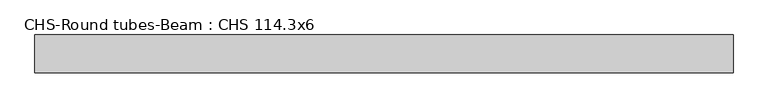
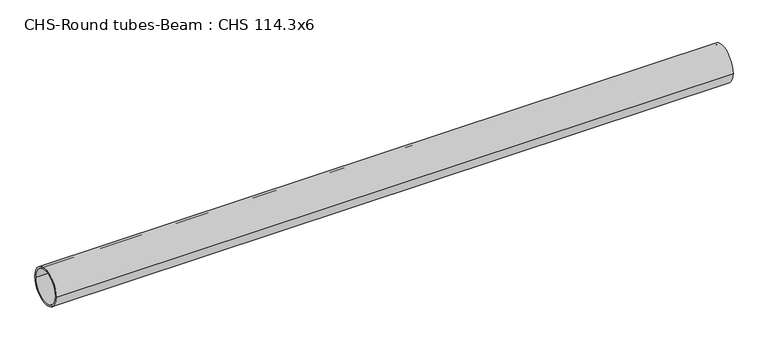
"""IFC4 building model written with IfcOpenShell, lengths in millimetres: beam geometry, CHS-Round tubes-Beam : CHS 114.3x6."""

from ifc_helpers import new_model, si_unit, point, frame, origin, origin_2d, place, context, project, spatial, circle_curve, trimmed, segment, composite_curve, outline, extrude, source, transform, mapped, element, save


def chs_round_tubes_beam_chs_114_3x6_2dc9abdc(model_context):
    return source(origin(), model_context, "Body", "SweptSolid", [
        extrude(outline(composite_curve([segment(trimmed(circle_curve(origin_2d(), 57.15), [point((57.15, 0.0))], [point((-57.15, 0.0))], False, "CARTESIAN"), True, "CONTINUOUS"), segment(trimmed(circle_curve(origin_2d(), 57.15), [point((-57.15, 0.0))], [point((57.15, 0.0))], False, "CARTESIAN"), True, "CONTINUOUS")], self_intersect=False), holes=[composite_curve([segment(trimmed(circle_curve(origin_2d(), 51.15), [point((51.15, 0.0))], [point((-51.15, 0.0))], True, "CARTESIAN"), True, "CONTINUOUS"), segment(trimmed(circle_curve(origin_2d(), 51.15), [point((-51.15, 0.0))], [point((51.15, 0.0))], True, "CARTESIAN"), True, "CONTINUOUS")], self_intersect=False)]), frame((-1016.1004987, 0.0, 0.0), z_axis=(1.0, 0.0, 0.0), x_axis=(0.0, 1.0, 0.0)), (0.0, 0.0, 1.0), 2096.9024829),
    ])


if __name__ == "__main__":
    model = new_model("IFC4")
    model_context = context("Model", 3, world=origin())
    ifc_project = project(units=[si_unit("LENGTHUNIT", "METRE", prefix="MILLI")], contexts=[model_context])
    site = spatial("IfcSite", under=ifc_project)
    building = spatial("IfcBuilding", under=site)
    placement = place(None, origin())
    chs_round_tubes_beam_chs_114_3x6_shape = chs_round_tubes_beam_chs_114_3x6_2dc9abdc(model_context)
    element("IfcBeam", 1, ObjectType="CHS-Round tubes-Beam : CHS 114.3x6", at=placement, inside=building, context=model_context, shape_type="MappedRepresentation", body=[
        mapped(chs_round_tubes_beam_chs_114_3x6_shape, transform((0.0, 0.0, 0.0), x_axis=(1.0, 0.0, 0.0), y_axis=(0.0, 1.0, 0.0), z_axis=(0.0, 0.0, 1.0))),
    ])
    save(model, "model.ifc")
